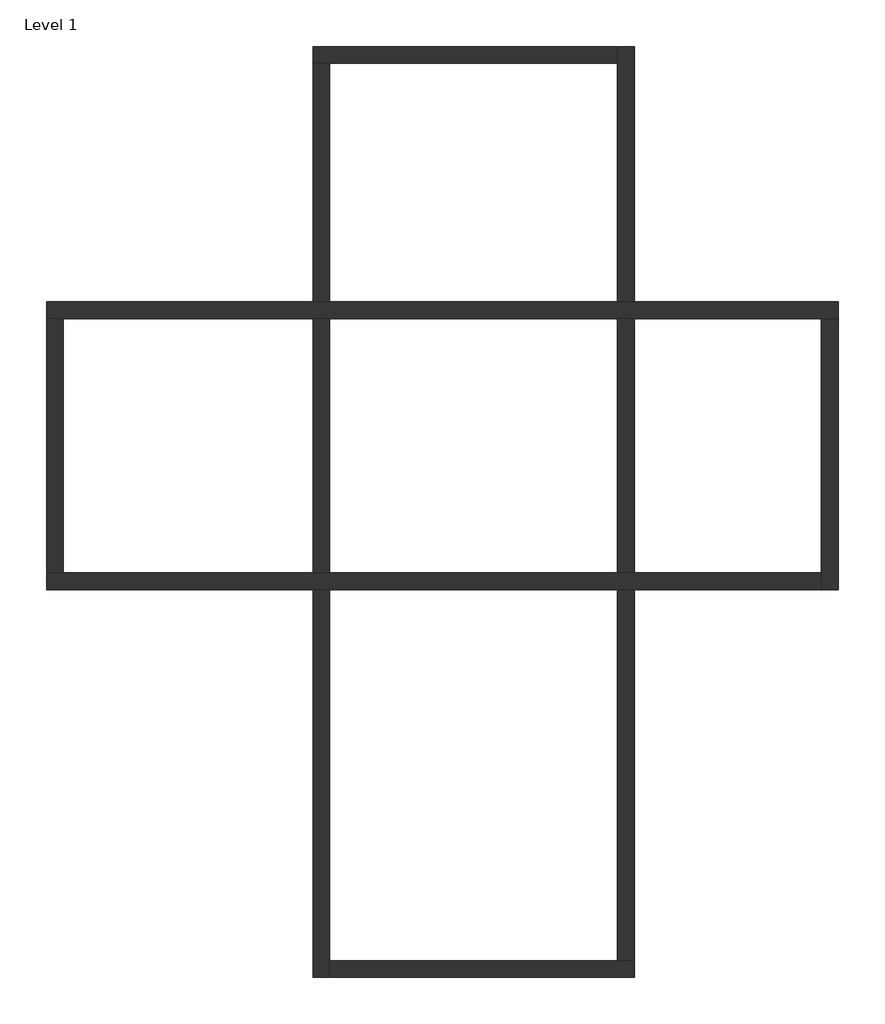
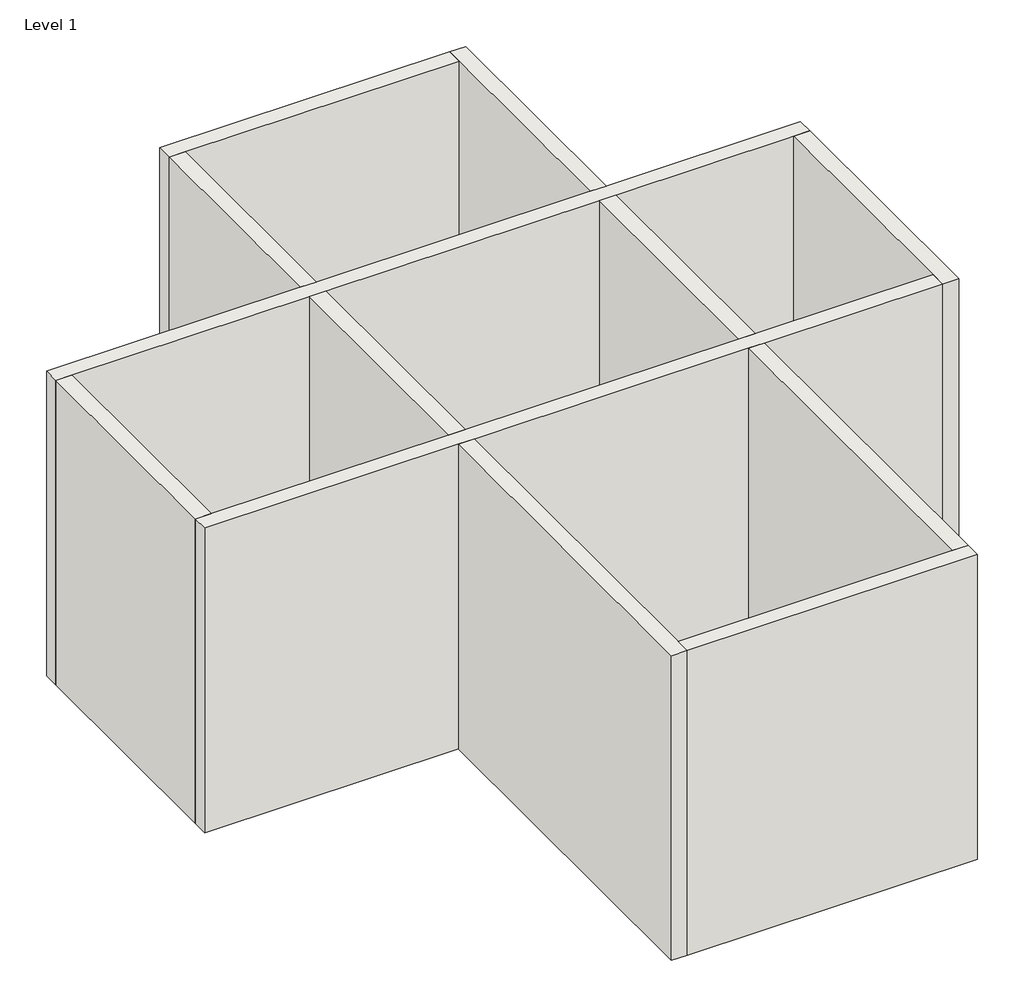
# One storey: 8 walls.
"""IFC4 building model written with IfcOpenShell, lengths in millimetres."""

from ifc_helpers import new_model, si_unit, origin, origin_with_axes, place, context, project, spatial, polyline, outline, extrude, faceted_brep, element, save

model = new_model("IFC4")

# Units and contexts
model_context = context("Model", 3, world=origin())
ifc_project = project(units=[si_unit("LENGTHUNIT", "METRE", prefix="MILLI")], contexts=[model_context])

# Site, building, storey
site = spatial("IfcSite", under=ifc_project)
building = spatial("IfcBuilding", under=site)
storey = spatial("IfcBuildingStorey", under=building, Name="Level 1", Elevation=0.0)

# Walls
placement = place(None, origin())
element("IfcWall", 1, ObjectType="Wall 1", at=placement, inside=storey, context=model_context, shape_type="Brep", body=[
    faceted_brep([(-160.3522314, 3596.3989198, 0.0), (39.6477686, 3596.3989198, 0.0), (2988.4419027, 3596.3989198, 0.0), (3188.4419027, 3596.3989198, 0.0), (6588.4419027, 3596.3989198, 0.0), (6788.4419027, 3596.3989198, 0.0), (8999.6477686, 3596.3989198, 0.0), (9199.6477686, 3596.3989198, 0.0), (9199.6477686, 3596.3989198, 4000.0), (8999.6477686, 3596.3989198, 4000.0), (6788.4419027, 3596.3989198, 4000.0), (6588.4419027, 3596.3989198, 4000.0), (3188.4419027, 3596.3989198, 4000.0), (2988.4419027, 3596.3989198, 4000.0), (39.6477686, 3596.3989198, 4000.0), (-160.3522314, 3596.3989198, 4000.0), (-160.3522314, 3796.3989198, 0.0), (-160.3522314, 3796.3989198, 4000.0), (2988.4419027, 3796.3989198, 4000.0), (3188.4419027, 3796.3989198, 4000.0), (6588.4419027, 3796.3989198, 4000.0), (6788.4419027, 3796.3989198, 4000.0), (9199.6477686, 3796.3989198, 4000.0), (9199.6477686, 3796.3989198, 0.0), (6788.4419027, 3796.3989198, 0.0), (6588.4419027, 3796.3989198, 0.0), (3188.4419027, 3796.3989198, 0.0), (2988.4419027, 3796.3989198, 0.0)], [[[0, 1, 2, 3, 4, 5, 6, 7, 8, 9, 10, 11, 12, 13, 14, 15]], [[16, 17, 18, 19, 20, 21, 22, 23, 24, 25, 26, 27]], [[7, 6, 5, 4, 3, 2, 1, 0, 16, 27, 26, 25, 24, 23]], [[15, 14, 13, 12, 11, 10, 9, 8, 22, 21, 20, 19, 18, 17]], [[8, 7, 23, 22]], [[0, 15, 17, 16]]]),
])
element("IfcWall", 2, ObjectType="Wall 1", at=placement, inside=storey, context=model_context, shape_type="Brep", body=[
    faceted_brep([(8999.6477686, 3596.3989198, 0.0), (8999.6477686, 596.3989198, 0.0), (8999.6477686, 396.3989198, 0.0), (8999.6477686, 396.3989198, 4000.0), (8999.6477686, 596.3989198, 4000.0), (8999.6477686, 3596.3989198, 4000.0), (9199.6477686, 3596.3989198, 0.0), (9199.6477686, 3596.3989198, 4000.0), (9199.6477686, 396.3989198, 4000.0), (9199.6477686, 396.3989198, 0.0)], [[[0, 1, 2, 3, 4, 5]], [[6, 7, 8, 9]], [[2, 1, 0, 6, 9]], [[5, 4, 3, 8, 7]], [[0, 5, 7, 6]], [[3, 2, 9, 8]]]),
])
element("IfcWall", 3, ObjectType="Wall 1", at=placement, inside=storey, context=model_context, shape_type="Brep", body=[
    faceted_brep([(8999.6477686, 596.3989198, 0.0), (6788.4419027, 596.3989198, 0.0), (6588.4419027, 596.3989198, 0.0), (3188.4419027, 596.3989198, 0.0), (2988.4419027, 596.3989198, 0.0), (39.6477686, 596.3989198, 0.0), (-160.3522314, 596.3989198, 0.0), (-160.3522314, 596.3989198, 4000.0), (39.6477686, 596.3989198, 4000.0), (2988.4419027, 596.3989198, 4000.0), (3188.4419027, 596.3989198, 4000.0), (6588.4419027, 596.3989198, 4000.0), (6788.4419027, 596.3989198, 4000.0), (8999.6477686, 596.3989198, 4000.0), (8999.6477686, 396.3989198, 0.0), (8999.6477686, 396.3989198, 4000.0), (6788.4419027, 396.3989198, 4000.0), (6588.4419027, 396.3989198, 4000.0), (3188.4419027, 396.3989198, 4000.0), (2988.4419027, 396.3989198, 4000.0), (-160.3522314, 396.3989198, 4000.0), (-160.3522314, 396.3989198, 0.0), (2988.4419027, 396.3989198, 0.0), (3188.4419027, 396.3989198, 0.0), (6588.4419027, 396.3989198, 0.0), (6788.4419027, 396.3989198, 0.0)], [[[0, 1, 2, 3, 4, 5, 6, 7, 8, 9, 10, 11, 12, 13]], [[14, 15, 16, 17, 18, 19, 20, 21, 22, 23, 24, 25]], [[6, 5, 4, 3, 2, 1, 0, 14, 25, 24, 23, 22, 21]], [[13, 12, 11, 10, 9, 8, 7, 20, 19, 18, 17, 16, 15]], [[0, 13, 15, 14]], [[7, 6, 21, 20]]]),
])
element("IfcWall", 4, ObjectType="Wall 1", at=placement, inside=storey, context=model_context, shape_type="SweptSolid", body=[
    extrude(outline(polyline([(39.6477686, 3596.3989198), (39.6477686, 596.3989198), (-160.3522314, 596.3989198), (-160.3522314, 3596.3989198), (39.6477686, 3596.3989198)])), origin_with_axes(), (0.0, 0.0, 1.0), 4000.0),
])
element("IfcWall", 5, ObjectType="Wall 1", at=placement, inside=storey, context=model_context, shape_type="Brep", body=[
    faceted_brep([(2988.4419027, 6614.8455314, 0.0), (3188.4419027, 6614.8455314, 0.0), (6588.4419027, 6614.8455314, 0.0), (6588.4419027, 6614.8455314, 4000.0), (3188.4419027, 6614.8455314, 4000.0), (2988.4419027, 6614.8455314, 4000.0), (2988.4419027, 6814.8455314, 0.0), (2988.4419027, 6814.8455314, 4000.0), (6588.4419027, 6814.8455314, 4000.0), (6588.4419027, 6814.8455314, 0.0)], [[[0, 1, 2, 3, 4, 5]], [[6, 7, 8, 9]], [[2, 1, 0, 6, 9]], [[5, 4, 3, 8, 7]], [[0, 5, 7, 6]], [[3, 2, 9, 8]]]),
])
element("IfcWall", 6, ObjectType="Wall 1", at=placement, inside=storey, context=model_context, shape_type="Brep", body=[
    faceted_brep([(3188.4419027, 6614.8455314, 0.0), (3188.4419027, 6614.8455314, 4000.0), (3188.4419027, 3796.3989198, 4000.0), (3188.4419027, 3796.3989198, 0.0), (2988.4419027, 6614.8455314, 4000.0), (2988.4419027, 6614.8455314, 0.0), (2988.4419027, 3796.3989198, 0.0), (2988.4419027, 3796.3989198, 4000.0)], [[[0, 1, 2, 3]], [[4, 5, 6, 7]], [[5, 0, 3, 6]], [[1, 4, 7, 2]], [[1, 0, 5, 4]], [[3, 2, 7, 6]]]),
    faceted_brep([(3188.4419027, -4185.1544686, 4000.0), (3188.4419027, -4185.1544686, 0.0), (3188.4419027, -3985.1544686, 0.0), (3188.4419027, 396.3989198, 0.0), (3188.4419027, 396.3989198, 4000.0), (3188.4419027, -3985.1544686, 4000.0), (2988.4419027, -4185.1544686, 0.0), (2988.4419027, -4185.1544686, 4000.0), (2988.4419027, 396.3989198, 4000.0), (2988.4419027, 396.3989198, 0.0)], [[[0, 1, 2, 3, 4, 5]], [[6, 7, 8, 9]], [[1, 6, 9, 3, 2]], [[7, 0, 5, 4, 8]], [[1, 0, 7, 6]], [[4, 3, 9, 8]]]),
    faceted_brep([(3188.4419027, 3596.3989198, 0.0), (3188.4419027, 3596.3989198, 4000.0), (3188.4419027, 596.3989198, 4000.0), (3188.4419027, 596.3989198, 0.0), (2988.4419027, 3596.3989198, 4000.0), (2988.4419027, 3596.3989198, 0.0), (2988.4419027, 596.3989198, 0.0), (2988.4419027, 596.3989198, 4000.0)], [[[0, 1, 2, 3]], [[4, 5, 6, 7]], [[5, 0, 3, 6]], [[1, 4, 7, 2]], [[1, 0, 5, 4]], [[3, 2, 7, 6]]]),
])
element("IfcWall", 7, ObjectType="Wall 1", at=placement, inside=storey, context=model_context, shape_type="Brep", body=[
    faceted_brep([(6788.4419027, -3985.1544686, 0.0), (6588.4419027, -3985.1544686, 0.0), (3188.4419027, -3985.1544686, 0.0), (3188.4419027, -3985.1544686, 4000.0), (6588.4419027, -3985.1544686, 4000.0), (6788.4419027, -3985.1544686, 4000.0), (6788.4419027, -4185.1544686, 0.0), (6788.4419027, -4185.1544686, 4000.0), (3188.4419027, -4185.1544686, 4000.0), (3188.4419027, -4185.1544686, 0.0)], [[[0, 1, 2, 3, 4, 5]], [[6, 7, 8, 9]], [[2, 1, 0, 6, 9]], [[5, 4, 3, 8, 7]], [[0, 5, 7, 6]], [[3, 2, 9, 8]]]),
])
element("IfcWall", 8, ObjectType="Wall 1", at=placement, inside=storey, context=model_context, shape_type="Brep", body=[
    faceted_brep([(6588.4419027, -3985.1544686, 0.0), (6588.4419027, -3985.1544686, 4000.0), (6588.4419027, 396.3989198, 4000.0), (6588.4419027, 396.3989198, 0.0), (6788.4419027, -3985.1544686, 4000.0), (6788.4419027, -3985.1544686, 0.0), (6788.4419027, 396.3989198, 0.0), (6788.4419027, 396.3989198, 4000.0)], [[[0, 1, 2, 3]], [[4, 5, 6, 7]], [[5, 0, 3, 6]], [[1, 4, 7, 2]], [[1, 0, 5, 4]], [[3, 2, 7, 6]]]),
    faceted_brep([(6588.4419027, 6814.8455314, 4000.0), (6588.4419027, 6814.8455314, 0.0), (6588.4419027, 6614.8455314, 0.0), (6588.4419027, 3796.3989198, 0.0), (6588.4419027, 3796.3989198, 4000.0), (6588.4419027, 6614.8455314, 4000.0), (6788.4419027, 6814.8455314, 0.0), (6788.4419027, 6814.8455314, 4000.0), (6788.4419027, 3796.3989198, 4000.0), (6788.4419027, 3796.3989198, 0.0)], [[[0, 1, 2, 3, 4, 5]], [[6, 7, 8, 9]], [[1, 6, 9, 3, 2]], [[7, 0, 5, 4, 8]], [[1, 0, 7, 6]], [[4, 3, 9, 8]]]),
    faceted_brep([(6588.4419027, 3596.3989198, 4000.0), (6588.4419027, 3596.3989198, 0.0), (6588.4419027, 596.3989198, 0.0), (6588.4419027, 596.3989198, 4000.0), (6788.4419027, 3596.3989198, 0.0), (6788.4419027, 3596.3989198, 4000.0), (6788.4419027, 596.3989198, 4000.0), (6788.4419027, 596.3989198, 0.0)], [[[0, 1, 2, 3]], [[4, 5, 6, 7]], [[1, 4, 7, 2]], [[5, 0, 3, 6]], [[1, 0, 5, 4]], [[3, 2, 7, 6]]]),
])

save(model, "model.ifc")
